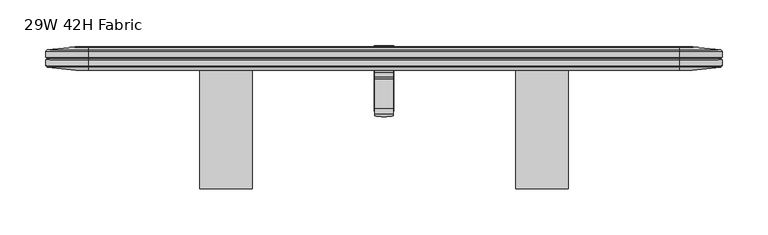
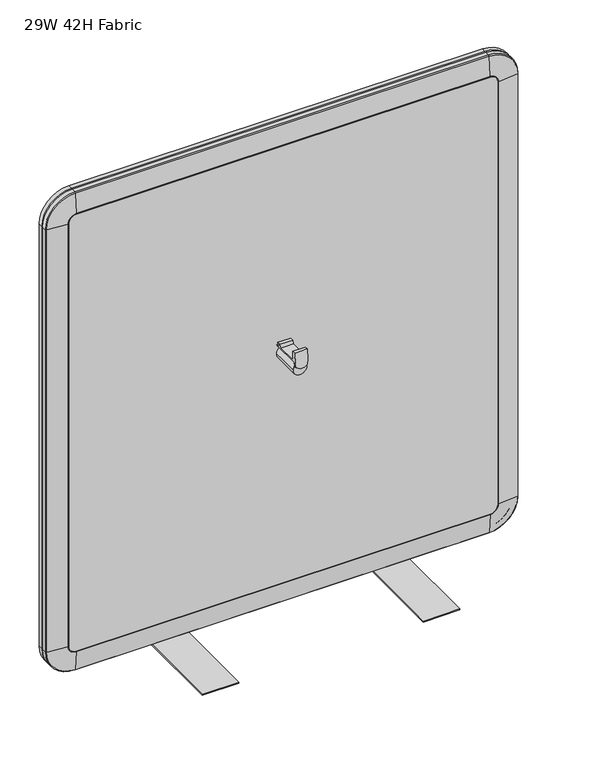
"""IFC4 building model written with IfcOpenShell, lengths in millimetres: furniture geometry, 29W 42H Fabric."""

from ifc_helpers import new_model, si_unit, point, frame, origin, place, context, project, spatial, polyline, circle_curve, ellipse_curve, trimmed, outline, extrude, faceted_brep, source, transform, mapped, element, save
from ifc_brep_helpers import plane_surface, cylinder_surface, revolved_surface, advanced_brep


def furniture_29w_42h_fabric_85539c47(model_context):
    return source(origin(), model_context, "Body", "SolidModel", [
        faceted_brep([(378.0789937, -2.6277066, 718.3078995), (378.0789937, -7.8728065, 718.3078995), (378.0789937, -9.612707, 713.1770353), (378.0789937, -41.8453065, 713.1770353), (378.0789937, -41.8453065, 727.3377989), (378.0789937, -47.4124812, 727.6782578), (378.0789937, -49.3824418, 711.6342516), (378.0789937, -46.6092656, 711.2937476), (378.0789937, -44.6393083, 725.0708588), (378.0789937, -44.6393083, 711.6530731), (378.0789937, 0.0, 711.6530731), (378.0789937, 0.0, 713.1770353), (378.0789937, -6.4377066, 713.1770353), (378.0789937, -6.2853063, 716.7838646), (378.0789937, -2.6277066, 716.7838646), (358.4447997, -2.6277066, 718.3078995), (358.4447997, -2.6277066, 716.7838646), (358.4447997, -6.2853063, 716.7838646), (358.4447997, -6.4377066, 713.1770353), (358.4447997, 0.0, 713.1770353), (358.4447997, 0.0, 711.6530731), (358.4447997, -44.6393083, 711.6530731), (358.4447997, -44.6393083, 725.0708588), (358.4447997, -46.6092689, 711.2937201), (358.4447997, -49.3824418, 711.6342516), (358.4447997, -47.4124812, 727.6782578), (358.4447997, -41.8453065, 727.3377989), (358.4447997, -41.8453065, 713.1770353), (358.4447997, -9.612707, 713.1770353), (358.4447997, -7.8728065, 718.3078995), (359.7326571, -50.2284276, 704.7442655), (365.0869088, -50.5788515, 701.8902979), (371.4368846, -50.5788515, 701.8902979), (376.7911363, -50.2284276, 704.7442655), (359.7326571, -47.4552511, 704.4037615), (376.7911363, -47.4552511, 704.4037615), (371.4368846, -47.805675, 701.5497938), (365.0869088, -47.805675, 701.5497938)], [[[0, 1, 2, 3, 4, 5, 6, 7, 8, 9, 10, 11, 12, 13, 14]], [[15, 16, 17, 18, 19, 20, 21, 22, 23, 24, 25, 26, 27, 28, 29]], [[1, 0, 15, 29]], [[2, 1, 29, 28]], [[3, 2, 28, 27]], [[4, 3, 27, 26]], [[5, 4, 26, 25]], [[6, 5, 25, 24, 30, 31, 32, 33]], [[8, 7, 23, 22]], [[9, 8, 22, 21]], [[10, 9, 21, 20]], [[11, 10, 20, 19]], [[12, 11, 19, 18]], [[13, 12, 18, 17]], [[14, 13, 17, 16]], [[0, 14, 16, 15]], [[34, 23, 7, 35, 36, 37]], [[31, 30, 34, 37]], [[32, 31, 37, 36]], [[33, 32, 36, 35]], [[6, 33, 35, 7]], [[30, 24, 23, 34]]]),
        advanced_brep(
        [(357.6250945, -44.6393083, 697.9244563), (378.8987055, -44.6393083, 697.9244563), (357.6250945, 26.4188362, 697.9244563), (378.8987055, 26.4188362, 697.9244563)],
        [
            (0, 1, circle_curve(frame((368.2619, -44.6393083, 697.9244563), z_axis=(0.0, -1.0, 0.0), x_axis=(1.0, 0.0, 0.0)), 10.6368055)),
            (1, 0, circle_curve(frame((368.2619, -44.6393083, 697.9244563), z_axis=(0.0, -1.0, 0.0), x_axis=(1.0, 0.0, 0.0)), 10.6368055)),
            (2, 3, circle_curve(frame((368.2619, 26.4188362, 697.9244563), z_axis=(0.0, 1.0, 0.0), x_axis=(1.0, 0.0, 0.0)), 10.6368055)),
            (3, 2, circle_curve(frame((368.2619, 26.4188362, 697.9244563), z_axis=(0.0, 1.0, 0.0), x_axis=(1.0, 0.0, 0.0)), 10.6368055)),
            (0, 2),
            (3, 1),
        ],
        [
            plane_surface(frame((378.8987055, -44.6393083, 697.9244563), z_axis=(0.0, -1.0, 0.0), x_axis=(0.0, 0.0, 1.0))),
            plane_surface(frame((378.8987055, 26.4188362, 697.9244563), z_axis=(0.0, 1.0, 0.0), x_axis=(0.0, 0.0, -1.0))),
            cylinder_surface(frame((368.2619, 26.4188362, 697.9244563), z_axis=(0.0, -1.0, 0.0), x_axis=(1.0, 0.0, 0.0)), 10.6368055),
        ],
        [
            (0, [[1, 2]]),
            (1, [[3, 4]]),
            (2, [[-1, 5, -4, 6]]),
            (2, [[-2, -6, -3, -5]]),
        ],
    ),
        extrude(outline(polyline([(11.6100608, 299.6271871), (13.3880602, 299.6271871), (13.3880602, 280.5771871), (-128.851937, 280.5771871), (-128.851937, 282.3551854), (11.6100608, 282.3551854), (11.6100608, 299.6271871)])), frame((511.8098934, 0.0, 0.0), z_axis=(1.0, 0.0, 0.0), x_axis=(0.0, 1.0, 0.0)), (0.0, 0.0, 1.0), 57.15),
        advanced_brep(
        [(32.6290972, 0.060067, 1025.0384987), (46.0374985, 0.060067, 1038.4469), (46.0374985, 3.1660648, 1069.4795636), (1.5964336, 3.1660648, 1025.0384987), (33.8323782, 0.0, 1025.0384987), (46.0374985, 0.0, 1037.2436189), (31.2877283, 25.2051854, 1025.0384987), (46.0374985, 25.2051854, 1039.7882689), (46.0374985, 25.4000008, 1035.8954989), (35.1804983, 25.4000008, 1025.0384987), (1.5874985, 22.2249992, 1025.0384987), (46.0374985, 22.2249992, 1069.4884987), (0.0635363, 20.7010007, 1025.0384987), (46.0374985, 20.7010007, 1071.0124609), (0.0635363, 14.2240001, 1025.0384987), (46.0374985, 14.2240001, 1071.0124609), (1.5874985, 12.7000004, 1025.0384987), (46.0374985, 12.7000004, 1069.4884987), (0.0635363, 11.1759996, 1025.0384987), (46.0374985, 11.1759996, 1071.0124609), (0.0635363, 4.6990001, 1025.0384987), (46.0374985, 4.6990001, 1071.0124609), (1.5964336, 3.1660648, 329.7896689), (32.6290972, 0.060067, 329.7896689), (33.8323782, 0.0, 329.7896689), (35.1804983, 25.4000008, 329.7896689), (31.2877283, 25.2051854, 329.7896689), (1.5874985, 22.2249992, 329.7896689), (0.0635363, 20.7010007, 329.7896689), (0.0635363, 14.2240001, 329.7896689), (1.5874985, 12.7000004, 329.7896689), (0.0635363, 11.1759996, 329.7896689), (0.0635363, 4.6990001, 329.7896689), (46.0374985, 3.1660648, 285.3486041), (46.0374985, 0.060067, 316.3812677), (46.0374985, 0.0, 317.5845487), (46.0374985, 25.4000008, 318.9326688), (46.0374985, 25.2051854, 315.0398987), (46.0374985, 22.2249992, 285.3396689), (46.0374985, 20.7010007, 283.8157067), (46.0374985, 14.2240001, 283.8157067), (46.0374985, 12.7000004, 285.3396689), (46.0374985, 11.1759996, 283.8157067), (46.0374985, 4.6990001, 283.8157067), (690.4863176, 3.1660648, 285.3486041), (690.4863176, 0.060067, 316.3812677), (690.4863176, 0.0, 317.5845487), (690.4863176, 25.4000008, 318.9326688), (690.4863176, 25.2051854, 315.0398987), (690.4863176, 22.2249992, 285.3396689), (690.4863176, 20.7010007, 283.8157067), (690.4863176, 14.2240001, 283.8157067), (690.4863176, 12.7000004, 285.3396689), (690.4863176, 11.1759996, 283.8157067), (690.4863176, 4.6990001, 283.8157067), (734.9273825, 3.1660648, 329.7896689), (703.8947189, 0.060067, 329.7896689), (702.6914379, 0.0, 329.7896689), (701.3433178, 25.4000008, 329.7896689), (705.2360878, 25.2051854, 329.7896689), (734.9363176, 22.2249992, 329.7896689), (736.4602798, 20.7010007, 329.7896689), (736.4602798, 14.2240001, 329.7896689), (734.9363176, 12.7000004, 329.7896689), (736.4602798, 11.1759996, 329.7896689), (736.4602798, 4.6990001, 329.7896689), (734.9273825, 3.1660648, 1025.0384987), (703.8947189, 0.060067, 1025.0384987), (702.6914379, 0.0, 1025.0384987), (701.3433178, 25.4000008, 1025.0384987), (705.2360878, 25.2051854, 1025.0384987), (734.9363176, 22.2249992, 1025.0384987), (736.4602798, 20.7010007, 1025.0384987), (736.4602798, 14.2240001, 1025.0384987), (734.9363176, 12.7000004, 1025.0384987), (736.4602798, 11.1759996, 1025.0384987), (736.4602798, 4.6990001, 1025.0384987), (690.4863176, 3.1660648, 1069.4795636), (690.4863176, 0.060067, 1038.4469), (690.4863176, 0.0, 1037.2436189), (690.4863176, 25.4000008, 1035.8954989), (690.4863176, 25.2051854, 1039.7882689), (690.4863176, 22.2249992, 1069.4884987), (690.4863176, 20.7010007, 1071.0124609), (690.4863176, 14.2240001, 1071.0124609), (690.4863176, 12.7000004, 1069.4884987), (690.4863176, 11.1759996, 1071.0124609), (690.4863176, 4.6990001, 1071.0124609)],
        [
            (0, 1, circle_curve(frame((46.0374985, 0.060067, 1025.0384987), z_axis=(0.0, 1.0, 0.0), x_axis=(0.0, 0.0, 1.0)), 13.4084013)),
            (1, 2),
            (2, 3, circle_curve(frame((46.0374985, 3.1660648, 1025.0384987), z_axis=(0.0, -1.0, 0.0), x_axis=(0.0, 0.0, 1.0)), 44.4410649)),
            (3, 0),
            (0, 4, circle_curve(frame((33.8323782, 12.0822956, 1025.0384987), z_axis=(0.0, 0.0, 1.0), x_axis=(1.0, 0.0, 0.0)), 12.0822956)),
            (4, 5, circle_curve(frame((46.0374985, 0.0, 1025.0384987), z_axis=(0.0, 1.0, 0.0), x_axis=(0.0, 0.0, 1.0)), 12.2051202)),
            (5, 1, circle_curve(frame((46.0374985, 12.0822956, 1037.2436189), z_axis=(-1.0, 0.0, 0.0), x_axis=(0.0, 0.0, -1.0)), 12.0822956)),
            (6, 7, circle_curve(frame((46.0374985, 25.2051854, 1025.0384987), z_axis=(0.0, 1.0, 0.0), x_axis=(0.0, 0.0, 1.0)), 14.7497702)),
            (7, 8, circle_curve(frame((46.0374985, -13.589762, 1035.8954989), z_axis=(-1.0, 0.0, 0.0), x_axis=(0.0, 0.0, -1.0)), 38.9897628)),
            (8, 9, circle_curve(frame((46.0374985, 25.4000008, 1025.0384987), z_axis=(0.0, -1.0, 0.0), x_axis=(0.0, 0.0, 1.0)), 10.8570002)),
            (9, 6, circle_curve(frame((35.1804983, -13.589762, 1025.0384987), z_axis=(0.0, 0.0, 1.0), x_axis=(1.0, 0.0, 0.0)), 38.9897628)),
            (6, 10),
            (10, 11, circle_curve(frame((46.0374985, 22.2249992, 1025.0384987), z_axis=(0.0, 1.0, 0.0), x_axis=(0.0, 0.0, 1.0)), 44.45)),
            (11, 7),
            (10, 12),
            (12, 13, circle_curve(frame((46.0374985, 20.7010007, 1025.0384987), z_axis=(0.0, 1.0, 0.0), x_axis=(0.0, 0.0, 1.0)), 45.9739622)),
            (13, 11),
            (12, 14),
            (14, 15, circle_curve(frame((46.0374985, 14.2240001, 1025.0384987), z_axis=(0.0, 1.0, 0.0), x_axis=(0.0, 0.0, 1.0)), 45.9739622)),
            (15, 13),
            (14, 16),
            (16, 17, circle_curve(frame((46.0374985, 12.7000004, 1025.0384987), z_axis=(0.0, 1.0, 0.0), x_axis=(0.0, 0.0, 1.0)), 44.45)),
            (17, 15),
            (16, 18),
            (18, 19, circle_curve(frame((46.0374985, 11.1759996, 1025.0384987), z_axis=(0.0, 1.0, 0.0), x_axis=(0.0, 0.0, 1.0)), 45.9739622)),
            (19, 17),
            (18, 20),
            (20, 21, circle_curve(frame((46.0374985, 4.6990001, 1025.0384987), z_axis=(0.0, 1.0, 0.0), x_axis=(0.0, 0.0, 1.0)), 45.9739622)),
            (21, 19),
            (2, 21),
            (20, 3),
            (3, 22),
            (22, 23),
            (23, 0),
            (23, 24, circle_curve(frame((33.8323782, 12.0822956, 329.7896689), z_axis=(0.0, 0.0, 1.0), x_axis=(1.0, 0.0, 0.0)), 12.0822956)),
            (24, 4),
            (9, 25),
            (25, 26, circle_curve(frame((35.1804983, -13.589762, 329.7896689), z_axis=(0.0, 0.0, 1.0), x_axis=(1.0, 0.0, 0.0)), 38.9897628)),
            (26, 6),
            (26, 27),
            (27, 10),
            (27, 28),
            (28, 12),
            (28, 29),
            (29, 14),
            (29, 30),
            (30, 16),
            (30, 31),
            (31, 18),
            (31, 32),
            (32, 20),
            (32, 22),
            (22, 33, circle_curve(frame((46.0374985, 3.1660648, 329.7896689), z_axis=(0.0, -1.0, 0.0), x_axis=(-1.0, 0.0, 0.0)), 44.4410649)),
            (33, 34),
            (34, 23, circle_curve(frame((46.0374985, 0.060067, 329.7896689), z_axis=(0.0, 1.0, 0.0), x_axis=(-1.0, 0.0, 0.0)), 13.4084013)),
            (34, 35, circle_curve(frame((46.0374985, 12.0822956, 317.5845487), z_axis=(-1.0, 0.0, 0.0), x_axis=(0.0, 0.0, 1.0)), 12.0822956)),
            (35, 24, circle_curve(frame((46.0374985, 0.0, 329.7896689), z_axis=(0.0, 1.0, 0.0), x_axis=(-1.0, 0.0, 0.0)), 12.2051202)),
            (25, 36, circle_curve(frame((46.0374985, 25.4000008, 329.7896689), z_axis=(0.0, -1.0, 0.0), x_axis=(-1.0, 0.0, 0.0)), 10.8570002)),
            (36, 37, circle_curve(frame((46.0374985, -13.589762, 318.9326688), z_axis=(-1.0, 0.0, 0.0), x_axis=(0.0, 0.0, 1.0)), 38.9897628)),
            (37, 26, circle_curve(frame((46.0374985, 25.2051854, 329.7896689), z_axis=(0.0, 1.0, 0.0), x_axis=(-1.0, 0.0, 0.0)), 14.7497702)),
            (37, 38),
            (38, 27, circle_curve(frame((46.0374985, 22.2249992, 329.7896689), z_axis=(0.0, 1.0, 0.0), x_axis=(-1.0, 0.0, 0.0)), 44.45)),
            (38, 39),
            (39, 28, circle_curve(frame((46.0374985, 20.7010007, 329.7896689), z_axis=(0.0, 1.0, 0.0), x_axis=(-1.0, 0.0, 0.0)), 45.9739622)),
            (39, 40),
            (40, 29, circle_curve(frame((46.0374985, 14.2240001, 329.7896689), z_axis=(0.0, 1.0, 0.0), x_axis=(-1.0, 0.0, 0.0)), 45.9739622)),
            (40, 41),
            (41, 30, circle_curve(frame((46.0374985, 12.7000004, 329.7896689), z_axis=(0.0, 1.0, 0.0), x_axis=(-1.0, 0.0, 0.0)), 44.45)),
            (41, 42),
            (42, 31, circle_curve(frame((46.0374985, 11.1759996, 329.7896689), z_axis=(0.0, 1.0, 0.0), x_axis=(-1.0, 0.0, 0.0)), 45.9739622)),
            (42, 43),
            (43, 32, circle_curve(frame((46.0374985, 4.6990001, 329.7896689), z_axis=(0.0, 1.0, 0.0), x_axis=(-1.0, 0.0, 0.0)), 45.9739622)),
            (43, 33),
            (33, 44),
            (44, 45),
            (45, 34),
            (45, 46, circle_curve(frame((690.4863176, 12.0822956, 317.5845487), z_axis=(-1.0, 0.0, 0.0), x_axis=(0.0, 0.0, 1.0)), 12.0822956)),
            (46, 35),
            (36, 47),
            (47, 48, circle_curve(frame((690.4863176, -13.589762, 318.9326688), z_axis=(-1.0, 0.0, 0.0), x_axis=(0.0, 0.0, 1.0)), 38.9897628)),
            (48, 37),
            (48, 49),
            (49, 38),
            (49, 50),
            (50, 39),
            (50, 51),
            (51, 40),
            (51, 52),
            (52, 41),
            (52, 53),
            (53, 42),
            (53, 54),
            (54, 43),
            (54, 44),
            (44, 55, circle_curve(frame((690.4863176, 3.1660648, 329.7896689), z_axis=(0.0, -1.0, 0.0), x_axis=(0.0, 0.0, -1.0)), 44.4410649)),
            (55, 56),
            (56, 45, circle_curve(frame((690.4863176, 0.060067, 329.7896689), z_axis=(0.0, 1.0, 0.0), x_axis=(0.0, 0.0, -1.0)), 13.4084013)),
            (56, 57, circle_curve(frame((702.6914379, 12.0822956, 329.7896689), z_axis=(0.0, 0.0, -1.0), x_axis=(-1.0, 0.0, 0.0)), 12.0822956)),
            (57, 46, circle_curve(frame((690.4863176, 0.0, 329.7896689), z_axis=(0.0, 1.0, 0.0), x_axis=(0.0, 0.0, -1.0)), 12.2051202)),
            (47, 58, circle_curve(frame((690.4863176, 25.4000008, 329.7896689), z_axis=(0.0, -1.0, 0.0), x_axis=(0.0, 0.0, -1.0)), 10.8570002)),
            (58, 59, circle_curve(frame((701.3433178, -13.589762, 329.7896689), z_axis=(0.0, 0.0, -1.0), x_axis=(-1.0, 0.0, 0.0)), 38.9897628)),
            (59, 48, circle_curve(frame((690.4863176, 25.2051854, 329.7896689), z_axis=(0.0, 1.0, 0.0), x_axis=(0.0, 0.0, -1.0)), 14.7497702)),
            (59, 60),
            (60, 49, circle_curve(frame((690.4863176, 22.2249992, 329.7896689), z_axis=(0.0, 1.0, 0.0), x_axis=(0.0, 0.0, -1.0)), 44.45)),
            (60, 61),
            (61, 50, circle_curve(frame((690.4863176, 20.7010007, 329.7896689), z_axis=(0.0, 1.0, 0.0), x_axis=(0.0, 0.0, -1.0)), 45.9739622)),
            (61, 62),
            (62, 51, circle_curve(frame((690.4863176, 14.2240001, 329.7896689), z_axis=(0.0, 1.0, 0.0), x_axis=(0.0, 0.0, -1.0)), 45.9739622)),
            (62, 63),
            (63, 52, circle_curve(frame((690.4863176, 12.7000004, 329.7896689), z_axis=(0.0, 1.0, 0.0), x_axis=(0.0, 0.0, -1.0)), 44.45)),
            (63, 64),
            (64, 53, circle_curve(frame((690.4863176, 11.1759996, 329.7896689), z_axis=(0.0, 1.0, 0.0), x_axis=(0.0, 0.0, -1.0)), 45.9739622)),
            (64, 65),
            (65, 54, circle_curve(frame((690.4863176, 4.6990001, 329.7896689), z_axis=(0.0, 1.0, 0.0), x_axis=(0.0, 0.0, -1.0)), 45.9739622)),
            (65, 55),
            (55, 66),
            (66, 67),
            (67, 56),
            (67, 68, circle_curve(frame((702.6914379, 12.0822956, 1025.0384987), z_axis=(0.0, 0.0, -1.0), x_axis=(-1.0, 0.0, 0.0)), 12.0822956)),
            (68, 57),
            (58, 69),
            (69, 70, circle_curve(frame((701.3433178, -13.589762, 1025.0384987), z_axis=(0.0, 0.0, -1.0), x_axis=(-1.0, 0.0, 0.0)), 38.9897628)),
            (70, 59),
            (70, 71),
            (71, 60),
            (71, 72),
            (72, 61),
            (72, 73),
            (73, 62),
            (73, 74),
            (74, 63),
            (74, 75),
            (75, 64),
            (75, 76),
            (76, 65),
            (76, 66),
            (66, 77, circle_curve(frame((690.4863176, 3.1660648, 1025.0384987), z_axis=(0.0, -1.0, 0.0), x_axis=(1.0, 0.0, 0.0)), 44.4410649)),
            (77, 78),
            (78, 67, circle_curve(frame((690.4863176, 0.060067, 1025.0384987), z_axis=(0.0, 1.0, 0.0), x_axis=(1.0, 0.0, 0.0)), 13.4084013)),
            (78, 79, circle_curve(frame((690.4863176, 12.0822956, 1037.2436189), z_axis=(1.0, 0.0, 0.0), x_axis=(0.0, 0.0, -1.0)), 12.0822956)),
            (79, 68, circle_curve(frame((690.4863176, 0.0, 1025.0384987), z_axis=(0.0, 1.0, 0.0), x_axis=(1.0, 0.0, 0.0)), 12.2051202)),
            (69, 80, circle_curve(frame((690.4863176, 25.4000008, 1025.0384987), z_axis=(0.0, -1.0, 0.0), x_axis=(1.0, 0.0, 0.0)), 10.8570002)),
            (80, 81, circle_curve(frame((690.4863176, -13.589762, 1035.8954989), z_axis=(1.0, 0.0, 0.0), x_axis=(0.0, 0.0, -1.0)), 38.9897628)),
            (81, 70, circle_curve(frame((690.4863176, 25.2051854, 1025.0384987), z_axis=(0.0, 1.0, 0.0), x_axis=(1.0, 0.0, 0.0)), 14.7497702)),
            (81, 82),
            (82, 71, circle_curve(frame((690.4863176, 22.2249992, 1025.0384987), z_axis=(0.0, 1.0, 0.0), x_axis=(1.0, 0.0, 0.0)), 44.45)),
            (82, 83),
            (83, 72, circle_curve(frame((690.4863176, 20.7010007, 1025.0384987), z_axis=(0.0, 1.0, 0.0), x_axis=(1.0, 0.0, 0.0)), 45.9739622)),
            (83, 84),
            (84, 73, circle_curve(frame((690.4863176, 14.2240001, 1025.0384987), z_axis=(0.0, 1.0, 0.0), x_axis=(1.0, 0.0, 0.0)), 45.9739622)),
            (84, 85),
            (85, 74, circle_curve(frame((690.4863176, 12.7000004, 1025.0384987), z_axis=(0.0, 1.0, 0.0), x_axis=(1.0, 0.0, 0.0)), 44.45)),
            (85, 86),
            (86, 75, circle_curve(frame((690.4863176, 11.1759996, 1025.0384987), z_axis=(0.0, 1.0, 0.0), x_axis=(1.0, 0.0, 0.0)), 45.9739622)),
            (86, 87),
            (87, 76, circle_curve(frame((690.4863176, 4.6990001, 1025.0384987), z_axis=(0.0, 1.0, 0.0), x_axis=(1.0, 0.0, 0.0)), 45.9739622)),
            (87, 77),
            (1, 78),
            (77, 2),
            (5, 79),
            (8, 80),
            (7, 81),
            (11, 82),
            (13, 83),
            (15, 84),
            (17, 85),
            (19, 86),
            (21, 87),
        ],
        [
            revolved_surface(polyline([(46.0374985, 3.1660648, 1069.4795636), (46.0374985, 0.060067, 1038.4469)]), (46.0374985, 0.0, 1025.0384987), (0.0, -1.0, 0.0)),
            revolved_surface(trimmed(ellipse_curve(frame((46.0374985, 12.0822956, 1037.2436189), z_axis=(1.0, 0.0, 0.0), x_axis=(0.0, 0.0, -1.0)), 12.0822956, 12.0822956), [point((46.0374985, 0.060067, 1038.4469))], [point((46.0374985, 0.0, 1037.2436189))], True, "CARTESIAN"), (46.0374985, 0.0, 1025.0384987), (0.0, -1.0, 0.0)),
            revolved_surface(trimmed(ellipse_curve(frame((46.0374985, -13.589762, 1035.8954989), z_axis=(1.0, 0.0, 0.0), x_axis=(0.0, 0.0, -1.0)), 38.9897628, 38.9897628), [point((46.0374985, 25.4000008, 1035.8954989))], [point((46.0374985, 25.2051854, 1039.7882689))], True, "CARTESIAN"), (46.0374985, 0.0, 1025.0384987), (0.0, -1.0, 0.0)),
            revolved_surface(polyline([(46.0374985, 25.2051854, 1039.7882689), (46.0374985, 22.2249992, 1069.4884987)]), (46.0374985, 0.0, 1025.0384987), (0.0, -1.0, 0.0)),
            revolved_surface(polyline([(46.0374985, 22.2249992, 1069.4884987), (46.0374985, 20.7010007, 1071.0124609)]), (46.0374985, 0.0, 1025.0384987), (0.0, -1.0, 0.0)),
            cylinder_surface(frame((46.0374985, 0.0, 1025.0384987), z_axis=(0.0, -1.0, 0.0), x_axis=(0.0, 0.0, 1.0)), 45.9739622),
            revolved_surface(polyline([(46.0374985, 14.2240001, 1071.0124609), (46.0374985, 12.7000004, 1069.4884987)]), (46.0374985, 0.0, 1025.0384987), (0.0, -1.0, 0.0)),
            revolved_surface(polyline([(46.0374985, 12.7000004, 1069.4884987), (46.0374985, 11.1759996, 1071.0124609)]), (46.0374985, 0.0, 1025.0384987), (0.0, -1.0, 0.0)),
            revolved_surface(polyline([(46.0374985, 4.6990001, 1071.0124609), (46.0374985, 3.1660648, 1069.4795636)]), (46.0374985, 0.0, 1025.0384987), (0.0, -1.0, 0.0)),
            plane_surface(frame((1.5964336, 3.1660648, 1025.0384987), z_axis=(-0.09959043254809315, -0.9950285150410936, 0.0), x_axis=(0.0, 0.0, -1.0))),
            cylinder_surface(frame((33.8323782, 12.0822956, 1025.0384987), z_axis=(0.0, 0.0, 1.0), x_axis=(1.0, 0.0, 0.0)), 12.0822956),
            cylinder_surface(frame((35.1804983, -13.589762, 1025.0384987), z_axis=(0.0, 0.0, 1.0), x_axis=(1.0, 0.0, 0.0)), 38.9897628),
            plane_surface(frame((31.2877283, 25.2051854, 1025.0384987), z_axis=(-0.0998408233066577, 0.995003422105396, 0.0), x_axis=(0.0, 0.0, -1.0))),
            plane_surface(frame((1.5874985, 22.2249992, 1025.0384987), z_axis=(-0.7071152106163676, 0.707098351656239, 0.0), x_axis=(0.0, 0.0, -1.0))),
            plane_surface(frame((0.0635363, 20.7010007, 1025.0384987), z_axis=(-1.0, 0.0, 0.0), x_axis=(0.0, 0.0, -1.0))),
            plane_surface(frame((0.0635363, 14.2240001, 1025.0384987), z_axis=(-0.7071154740296934, -0.7070980882365345, 0.0), x_axis=(0.0, 0.0, -1.0))),
            plane_surface(frame((1.5874985, 12.7000004, 1025.0384987), z_axis=(-0.7071157374449152, 0.707097824814738, 0.0), x_axis=(0.0, 0.0, -1.0))),
            plane_surface(frame((0.0635363, 11.1759996, 1025.0384987), z_axis=(-1.0, 0.0, 0.0), x_axis=(0.0, 0.0, -1.0))),
            plane_surface(frame((0.0635363, 4.6990001, 1025.0384987), z_axis=(-0.7071155398835722, -0.7070980223810305, 0.0), x_axis=(0.0, 0.0, -1.0))),
            revolved_surface(polyline([(1.5964336, 3.1660648, 329.7896689), (32.6290972, 0.060067, 329.7896689)]), (46.0374985, 0.0, 329.7896689), (0.0, -1.0, 0.0)),
            revolved_surface(trimmed(ellipse_curve(frame((33.8323782, 12.0822956, 329.7896689), z_axis=(0.0, 0.0, 1.0), x_axis=(1.0, 0.0, 0.0)), 12.0822956, 12.0822956), [point((32.6290972, 0.060067, 329.7896689))], [point((33.8323782, 0.0, 329.7896689))], True, "CARTESIAN"), (46.0374985, 0.0, 329.7896689), (0.0, -1.0, 0.0)),
            revolved_surface(trimmed(ellipse_curve(frame((35.1804983, -13.589762, 329.7896689), z_axis=(0.0, 0.0, 1.0), x_axis=(1.0, 0.0, 0.0)), 38.9897628, 38.9897628), [point((35.1804983, 25.4000008, 329.7896689))], [point((31.2877283, 25.2051854, 329.7896689))], True, "CARTESIAN"), (46.0374985, 0.0, 329.7896689), (0.0, -1.0, 0.0)),
            revolved_surface(polyline([(31.2877283, 25.2051854, 329.7896689), (1.5874985, 22.2249992, 329.7896689)]), (46.0374985, 0.0, 329.7896689), (0.0, -1.0, 0.0)),
            revolved_surface(polyline([(1.5874985, 22.2249992, 329.7896689), (0.0635363, 20.7010007, 329.7896689)]), (46.0374985, 0.0, 329.7896689), (0.0, -1.0, 0.0)),
            cylinder_surface(frame((46.0374985, 0.0, 329.7896689), z_axis=(0.0, -1.0, 0.0), x_axis=(-1.0, 0.0, 0.0)), 45.9739622),
            revolved_surface(polyline([(0.0635363, 14.2240001, 329.7896689), (1.5874985, 12.7000004, 329.7896689)]), (46.0374985, 0.0, 329.7896689), (0.0, -1.0, 0.0)),
            revolved_surface(polyline([(1.5874985, 12.7000004, 329.7896689), (0.0635363, 11.1759996, 329.7896689)]), (46.0374985, 0.0, 329.7896689), (0.0, -1.0, 0.0)),
            revolved_surface(polyline([(0.0635363, 4.6990001, 329.7896689), (1.5964336, 3.1660648, 329.7896689)]), (46.0374985, 0.0, 329.7896689), (0.0, -1.0, 0.0)),
            plane_surface(frame((46.0374985, 3.1660648, 285.3486041), z_axis=(0.0, -0.9950285150410887, -0.09959043254814226), x_axis=(1.0, 0.0, 0.0))),
            cylinder_surface(frame((46.0374985, 12.0822956, 317.5845487), z_axis=(-1.0, 0.0, 0.0), x_axis=(0.0, 0.0, 1.0)), 12.0822956),
            cylinder_surface(frame((46.0374985, -13.589762, 318.9326688), z_axis=(-1.0, 0.0, 0.0), x_axis=(0.0, 0.0, 1.0)), 38.9897628),
            plane_surface(frame((46.0374985, 25.2051854, 315.0398987), z_axis=(0.0, 0.9950034221054009, -0.09984082330660858), x_axis=(1.0, 0.0, 0.0))),
            plane_surface(frame((46.0374985, 22.2249992, 285.3396689), z_axis=(0.0, 0.7070983516562739, -0.7071152106163328), x_axis=(1.0, 0.0, 0.0))),
            plane_surface(frame((46.0374985, 20.7010007, 283.8157067), z_axis=(0.0, 0.0, -1.0), x_axis=(1.0, 0.0, 0.0))),
            plane_surface(frame((46.0374985, 14.2240001, 283.8157067), z_axis=(0.0, -0.7070980882364997, -0.7071154740297283), x_axis=(1.0, 0.0, 0.0))),
            plane_surface(frame((46.0374985, 12.7000004, 285.3396689), z_axis=(0.0, 0.7070978248147729, -0.7071157374448803), x_axis=(1.0, 0.0, 0.0))),
            plane_surface(frame((46.0374985, 11.1759996, 283.8157067), z_axis=(0.0, 0.0, -1.0), x_axis=(1.0, 0.0, 0.0))),
            plane_surface(frame((46.0374985, 4.6990001, 283.8157067), z_axis=(0.0, -0.7070980223809956, -0.7071155398836071), x_axis=(1.0, 0.0, 0.0))),
            revolved_surface(polyline([(690.4863176, 3.1660648, 285.3486041), (690.4863176, 0.060067, 316.3812677)]), (690.4863176, 0.0, 329.7896689), (0.0, -1.0, 0.0)),
            revolved_surface(trimmed(ellipse_curve(frame((690.4863176, 12.0822956, 317.5845487), z_axis=(-1.0, 0.0, 0.0), x_axis=(0.0, 0.0, 1.0)), 12.0822956, 12.0822956), [point((690.4863176, 0.060067, 316.3812677))], [point((690.4863176, 0.0, 317.5845487))], True, "CARTESIAN"), (690.4863176, 0.0, 329.7896689), (0.0, -1.0, 0.0)),
            revolved_surface(trimmed(ellipse_curve(frame((690.4863176, -13.589762, 318.9326688), z_axis=(-1.0, 0.0, 0.0), x_axis=(0.0, 0.0, 1.0)), 38.9897628, 38.9897628), [point((690.4863176, 25.4000008, 318.9326688))], [point((690.4863176, 25.2051854, 315.0398987))], True, "CARTESIAN"), (690.4863176, 0.0, 329.7896689), (0.0, -1.0, 0.0)),
            revolved_surface(polyline([(690.4863176, 25.2051854, 315.0398987), (690.4863176, 22.2249992, 285.3396689)]), (690.4863176, 0.0, 329.7896689), (0.0, -1.0, 0.0)),
            revolved_surface(polyline([(690.4863176, 22.2249992, 285.3396689), (690.4863176, 20.7010007, 283.8157067)]), (690.4863176, 0.0, 329.7896689), (0.0, -1.0, 0.0)),
            cylinder_surface(frame((690.4863176, 0.0, 329.7896689), z_axis=(0.0, -1.0, 0.0), x_axis=(0.0, 0.0, -1.0)), 45.9739622),
            revolved_surface(polyline([(690.4863176, 14.2240001, 283.8157067), (690.4863176, 12.7000004, 285.3396689)]), (690.4863176, 0.0, 329.7896689), (0.0, -1.0, 0.0)),
            revolved_surface(polyline([(690.4863176, 12.7000004, 285.3396689), (690.4863176, 11.1759996, 283.8157067)]), (690.4863176, 0.0, 329.7896689), (0.0, -1.0, 0.0)),
            revolved_surface(polyline([(690.4863176, 4.6990001, 283.8157067), (690.4863176, 3.1660648, 285.3486041)]), (690.4863176, 0.0, 329.7896689), (0.0, -1.0, 0.0)),
            plane_surface(frame((734.9273825, 3.1660648, 329.7896689), z_axis=(0.09959043254809315, -0.9950285150410936, 0.0), x_axis=(0.0, 0.0, 1.0))),
            cylinder_surface(frame((702.6914379, 12.0822956, 329.7896689), z_axis=(0.0, 0.0, -1.0), x_axis=(-1.0, 0.0, 0.0)), 12.0822956),
            cylinder_surface(frame((701.3433178, -13.589762, 329.7896689), z_axis=(0.0, 0.0, -1.0), x_axis=(-1.0, 0.0, 0.0)), 38.9897628),
            plane_surface(frame((705.2360878, 25.2051854, 329.7896689), z_axis=(0.0998408233066577, 0.995003422105396, 0.0), x_axis=(0.0, 0.0, 1.0))),
            plane_surface(frame((734.9363176, 22.2249992, 329.7896689), z_axis=(0.7071152106163676, 0.707098351656239, 0.0), x_axis=(0.0, 0.0, 1.0))),
            plane_surface(frame((736.4602798, 20.7010007, 329.7896689), z_axis=(1.0, 0.0, 0.0), x_axis=(0.0, 0.0, 1.0))),
            plane_surface(frame((736.4602798, 14.2240001, 329.7896689), z_axis=(0.7071154740296934, -0.7070980882365345, 0.0), x_axis=(0.0, 0.0, 1.0))),
            plane_surface(frame((734.9363176, 12.7000004, 329.7896689), z_axis=(0.7071157374449152, 0.707097824814738, 0.0), x_axis=(0.0, 0.0, 1.0))),
            plane_surface(frame((736.4602798, 11.1759996, 329.7896689), z_axis=(1.0, 0.0, 0.0), x_axis=(0.0, 0.0, 1.0))),
            plane_surface(frame((736.4602798, 4.6990001, 329.7896689), z_axis=(0.7071155398835722, -0.7070980223810305, 0.0), x_axis=(0.0, 0.0, 1.0))),
            revolved_surface(polyline([(734.9273825, 3.1660648, 1025.0384987), (703.8947189, 0.060067, 1025.0384987)]), (690.4863176, 0.0, 1025.0384987), (0.0, -1.0, 0.0)),
            revolved_surface(trimmed(ellipse_curve(frame((702.6914379, 12.0822956, 1025.0384987), z_axis=(0.0, 0.0, -1.0), x_axis=(-1.0, 0.0, 0.0)), 12.0822956, 12.0822956), [point((703.8947189, 0.060067, 1025.0384987))], [point((702.6914379, 0.0, 1025.0384987))], True, "CARTESIAN"), (690.4863176, 0.0, 1025.0384987), (0.0, -1.0, 0.0)),
            revolved_surface(trimmed(ellipse_curve(frame((701.3433178, -13.589762, 1025.0384987), z_axis=(0.0, 0.0, -1.0), x_axis=(-1.0, 0.0, 0.0)), 38.9897628, 38.9897628), [point((701.3433178, 25.4000008, 1025.0384987))], [point((705.2360878, 25.2051854, 1025.0384987))], True, "CARTESIAN"), (690.4863176, 0.0, 1025.0384987), (0.0, -1.0, 0.0)),
            revolved_surface(polyline([(705.2360878, 25.2051854, 1025.0384987), (734.9363176, 22.2249992, 1025.0384987)]), (690.4863176, 0.0, 1025.0384987), (0.0, -1.0, 0.0)),
            revolved_surface(polyline([(734.9363176, 22.2249992, 1025.0384987), (736.4602798, 20.7010007, 1025.0384987)]), (690.4863176, 0.0, 1025.0384987), (0.0, -1.0, 0.0)),
            cylinder_surface(frame((690.4863176, 0.0, 1025.0384987), z_axis=(0.0, -1.0, 0.0), x_axis=(1.0, 0.0, 0.0)), 45.9739622),
            revolved_surface(polyline([(736.4602798, 14.2240001, 1025.0384987), (734.9363176, 12.7000004, 1025.0384987)]), (690.4863176, 0.0, 1025.0384987), (0.0, -1.0, 0.0)),
            revolved_surface(polyline([(734.9363176, 12.7000004, 1025.0384987), (736.4602798, 11.1759996, 1025.0384987)]), (690.4863176, 0.0, 1025.0384987), (0.0, -1.0, 0.0)),
            revolved_surface(polyline([(736.4602798, 4.6990001, 1025.0384987), (734.9273825, 3.1660648, 1025.0384987)]), (690.4863176, 0.0, 1025.0384987), (0.0, -1.0, 0.0)),
            plane_surface(frame((690.4863176, 3.1660648, 1069.4795636), z_axis=(0.0, -0.9950285150410985, 0.09959043254804403), x_axis=(-1.0, 0.0, 0.0))),
            cylinder_surface(frame((690.4863176, 12.0822956, 1037.2436189), z_axis=(1.0, 0.0, 0.0), x_axis=(0.0, 0.0, -1.0)), 12.0822956),
            plane_surface(frame((690.4863176, 0.0, 1037.2436189), z_axis=(0.0, -1.0, 0.0), x_axis=(-1.0, 0.0, 0.0))),
            plane_surface(frame((690.4863176, 25.4000008, 1031.3884987), z_axis=(0.0, 1.0, 0.0), x_axis=(-1.0, 0.0, 0.0))),
            cylinder_surface(frame((690.4863176, -13.589762, 1035.8954989), z_axis=(1.0, 0.0, 0.0), x_axis=(0.0, 0.0, -1.0)), 38.9897628),
            plane_surface(frame((690.4863176, 25.2051854, 1039.7882689), z_axis=(0.0, 0.9950034221053912, 0.09984082330670681), x_axis=(-1.0, 0.0, 0.0))),
            plane_surface(frame((690.4863176, 22.2249992, 1069.4884987), z_axis=(0.0, 0.7070983516562042, 0.7071152106164025), x_axis=(-1.0, 0.0, 0.0))),
            plane_surface(frame((690.4863176, 20.7010007, 1071.0124609), z_axis=(0.0, 0.0, 1.0), x_axis=(-1.0, 0.0, 0.0))),
            plane_surface(frame((690.4863176, 14.2240001, 1071.0124609), z_axis=(0.0, -0.7070980882365694, 0.7071154740296586), x_axis=(-1.0, 0.0, 0.0))),
            plane_surface(frame((690.4863176, 12.7000004, 1069.4884987), z_axis=(0.0, 0.7070978248147032, 0.70711573744495), x_axis=(-1.0, 0.0, 0.0))),
            plane_surface(frame((690.4863176, 11.1759996, 1071.0124609), z_axis=(0.0, 0.0, 1.0), x_axis=(-1.0, 0.0, 0.0))),
            plane_surface(frame((690.4863176, 4.6990001, 1071.0124609), z_axis=(0.0, -0.7070980223810653, 0.7071155398835374), x_axis=(-1.0, 0.0, 0.0))),
        ],
        [
            (0, [[1, 2, 3, 4]]),
            (1, [[-1, 5, 6, 7]]),
            (2, [[8, 9, 10, 11]]),
            (3, [[-8, 12, 13, 14]]),
            (4, [[-13, 15, 16, 17]]),
            (5, [[-16, 18, 19, 20]]),
            (6, [[-19, 21, 22, 23]]),
            (7, [[-22, 24, 25, 26]]),
            (5, [[-25, 27, 28, 29]]),
            (8, [[-3, 30, -28, 31]]),
            (9, [[-4, 32, 33, 34]]),
            (10, [[-5, -34, 35, 36]]),
            (11, [[-11, 37, 38, 39]]),
            (12, [[-12, -39, 40, 41]]),
            (13, [[-15, -41, 42, 43]]),
            (14, [[-18, -43, 44, 45]]),
            (15, [[-21, -45, 46, 47]]),
            (16, [[-24, -47, 48, 49]]),
            (17, [[-27, -49, 50, 51]]),
            (18, [[-31, -51, 52, -32]]),
            (19, [[-33, 53, 54, 55]]),
            (20, [[-35, -55, 56, 57]]),
            (21, [[-38, 58, 59, 60]]),
            (22, [[-40, -60, 61, 62]]),
            (23, [[-42, -62, 63, 64]]),
            (24, [[-44, -64, 65, 66]]),
            (25, [[-46, -66, 67, 68]]),
            (26, [[-48, -68, 69, 70]]),
            (24, [[-50, -70, 71, 72]]),
            (27, [[-52, -72, 73, -53]]),
            (28, [[-54, 74, 75, 76]]),
            (29, [[-56, -76, 77, 78]]),
            (30, [[-59, 79, 80, 81]]),
            (31, [[-61, -81, 82, 83]]),
            (32, [[-63, -83, 84, 85]]),
            (33, [[-65, -85, 86, 87]]),
            (34, [[-67, -87, 88, 89]]),
            (35, [[-69, -89, 90, 91]]),
            (36, [[-71, -91, 92, 93]]),
            (37, [[-73, -93, 94, -74]]),
            (38, [[-75, 95, 96, 97]]),
            (39, [[-77, -97, 98, 99]]),
            (40, [[-80, 100, 101, 102]]),
            (41, [[-82, -102, 103, 104]]),
            (42, [[-84, -104, 105, 106]]),
            (43, [[-86, -106, 107, 108]]),
            (44, [[-88, -108, 109, 110]]),
            (45, [[-90, -110, 111, 112]]),
            (43, [[-92, -112, 113, 114]]),
            (46, [[-94, -114, 115, -95]]),
            (47, [[-96, 116, 117, 118]]),
            (48, [[-98, -118, 119, 120]]),
            (49, [[-101, 121, 122, 123]]),
            (50, [[-103, -123, 124, 125]]),
            (51, [[-105, -125, 126, 127]]),
            (52, [[-107, -127, 128, 129]]),
            (53, [[-109, -129, 130, 131]]),
            (54, [[-111, -131, 132, 133]]),
            (55, [[-113, -133, 134, 135]]),
            (56, [[-115, -135, 136, -116]]),
            (57, [[-117, 137, 138, 139]]),
            (58, [[-119, -139, 140, 141]]),
            (59, [[-122, 142, 143, 144]]),
            (60, [[-124, -144, 145, 146]]),
            (61, [[-126, -146, 147, 148]]),
            (62, [[-128, -148, 149, 150]]),
            (63, [[-130, -150, 151, 152]]),
            (64, [[-132, -152, 153, 154]]),
            (62, [[-134, -154, 155, 156]]),
            (65, [[-136, -156, 157, -137]]),
            (66, [[-2, 158, -138, 159]]),
            (67, [[-7, 160, -140, -158]]),
            (68, [[-6, -36, -57, -78, -99, -120, -141, -160]]),
            (69, [[-10, 161, -142, -121, -100, -79, -58, -37]]),
            (70, [[-9, 162, -143, -161]]),
            (71, [[-14, 163, -145, -162]]),
            (72, [[-17, 164, -147, -163]]),
            (73, [[-20, 165, -149, -164]]),
            (74, [[-23, 166, -151, -165]]),
            (75, [[-26, 167, -153, -166]]),
            (76, [[-29, 168, -155, -167]]),
            (77, [[-30, -159, -157, -168]]),
        ],
    ),
        extrude(outline(polyline([(11.6100608, 299.6271871), (13.3880602, 299.6271871), (13.3880602, 280.5771871), (-128.851937, 280.5771871), (-128.851937, 282.3551854), (11.6100608, 282.3551854), (11.6100608, 299.6271871)])), frame((167.5639, 0.0, 0.0), z_axis=(1.0, 0.0, 0.0), x_axis=(0.0, 1.0, 0.0)), (0.0, 0.0, 1.0), 57.15),
    ])


if __name__ == "__main__":
    model = new_model("IFC4")
    model_context = context("Model", 3, world=origin())
    ifc_project = project(units=[si_unit("LENGTHUNIT", "METRE", prefix="MILLI")], contexts=[model_context])
    site = spatial("IfcSite", under=ifc_project)
    building = spatial("IfcBuilding", under=site)
    placement = place(None, origin())
    furniture_29w_42h_fabric_shape = furniture_29w_42h_fabric_85539c47(model_context)
    element("IfcFurniture", 1, ObjectType="29W 42H Fabric", at=placement, inside=building, context=model_context, shape_type="MappedRepresentation", body=[
        mapped(furniture_29w_42h_fabric_shape, transform((0.0, 0.0, 0.0), x_axis=(1.0, 0.0, 0.0), y_axis=(0.0, 1.0, 0.0), z_axis=(0.0, 0.0, 1.0))),
    ])
    save(model, "model.ifc")
